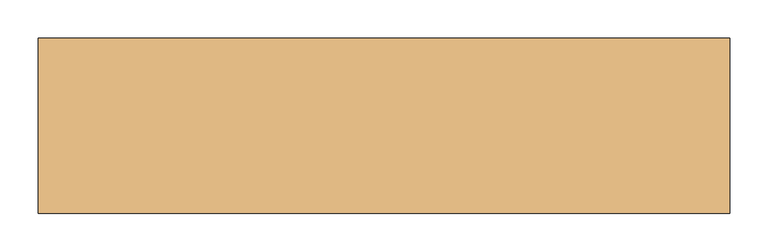
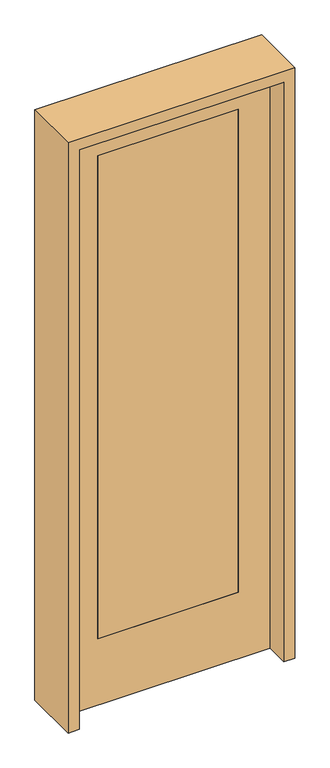
"""IFC4 building model written with IfcOpenShell, lengths in millimetres: door geometry."""

import ifcopenshell
import ifcopenshell.guid

model = None  # the IFC model being written
_history = None  # IfcOwnerHistory: only IFC2X3 demands one
_inside = {}  # id of a spatial element -> (the spatial element, [elements in it])
_under = {}  # id of a project, library or spatial element -> (it, [spatial elements below it])
_declared = {}  # id of a project -> (the project, [libraries it declares])
_typed = {}  # id of a type object -> (the type object, [elements of that type])
_made_of = {}  # id of a material, layer set ... -> (it, [elements and type objects made of it])


def new_model(schema):
    """Start an empty IFC model of exactly this schema.

    Asked for "IFC4X3", IfcOpenShell would pick the latest addendum, in which some entities
    have other attributes; the version numbers below select the first issue.
    IFC2X3 requires an IfcOwnerHistory on every rooted entity: one is made here for all.
    """
    global model, _history
    if schema == "IFC4X3":
        model = ifcopenshell.file(schema_version=(4, 3, 0, 0))
    else:
        model = ifcopenshell.file(schema=schema)
    _inside.clear()
    _under.clear()
    _declared.clear()
    _typed.clear()
    _made_of.clear()
    _history = None
    if model.schema == "IFC2X3":
        org = make("IfcOrganization", Name="unknown")
        user = make(
            "IfcPersonAndOrganization",
            ThePerson=make("IfcPerson", FamilyName="unknown"),
            TheOrganization=org,
        )
        app = make(
            "IfcApplication",
            ApplicationDeveloper=org,
            Version="unknown",
            ApplicationFullName="unknown",
            ApplicationIdentifier="unknown",
        )
        _history = make(
            "IfcOwnerHistory",
            OwningUser=user,
            OwningApplication=app,
            ChangeAction="ADDED",
            CreationDate=0,
        )
    return model


def make(cls, **values):
    """One entity of the class cls with the attributes given. An attribute that is None is left unset."""
    return model.create_entity(
        cls, **{name: value for name, value in values.items() if value is not None}
    )


def rooted(cls, **values):
    """An entity with a GlobalId (a new one), such as an element, a storey or a relation."""
    return make(cls, GlobalId=ifcopenshell.guid.new(), OwnerHistory=_history, **values)


def si_unit(unit_type, name, prefix=None):
    """IfcSIUnit, for example si_unit("LENGTHUNIT", "METRE", prefix="MILLI")."""
    return make("IfcSIUnit", UnitType=unit_type, Prefix=prefix, Name=name)


def assignment(units):
    """IfcUnitAssignment: the units of a project."""
    return None if units is None else make("IfcUnitAssignment", Units=units)


def point(xyz):
    """IfcCartesianPoint."""
    return None if xyz is None else make("IfcCartesianPoint", Coordinates=xyz)


def direction(xyz):
    """IfcDirection."""
    return None if xyz is None else make("IfcDirection", DirectionRatios=xyz)


def frame(location, z_axis=None, x_axis=None):
    """IfcAxis2Placement3D, a coordinate frame: its origin and axes. An axis left out is left unset."""
    return make(
        "IfcAxis2Placement3D",
        Location=point(location),
        Axis=direction(z_axis),
        RefDirection=direction(x_axis),
    )


def origin():
    """The frame at (0, 0, 0) with its axes left unset."""
    return frame((0.0, 0.0, 0.0))


def place(relative_to, where):
    """IfcLocalPlacement: puts the frame where relative to a parent placement (None: the world)."""
    return make(
        "IfcLocalPlacement", PlacementRelTo=relative_to, RelativePlacement=where
    )


def context(
    kind, dimensions, precision=None, world=None, true_north=None, identifier=None
):
    """IfcGeometricRepresentationContext, for example the 3D "Model" context."""
    return make(
        "IfcGeometricRepresentationContext",
        ContextIdentifier=identifier,
        ContextType=kind,
        CoordinateSpaceDimension=dimensions,
        Precision=precision,
        WorldCoordinateSystem=world,
        TrueNorth=true_north,
    )


def project(units=None, contexts=None):
    """IfcProject with its units and contexts."""
    return rooted(
        "IfcProject",
        Name="project",
        RepresentationContexts=contexts,
        UnitsInContext=assignment(units),
    )


def spatial(cls, under=None, at=None, **own):
    """A site, building, storey or space (cls), placed at a placement, below another one or the project."""
    s = rooted(cls, ObjectPlacement=at, **own)
    if under is not None:
        _under.setdefault(under.id(), (under, []))[1].append(s)
    return s


def polyline(points):
    """IfcPolyline through the points."""
    return make("IfcPolyline", Points=[point(p) for p in points])


def outline(outer, holes=None, kind="AREA"):
    """IfcArbitraryClosedProfileDef: a profile drawn as a closed curve; with holes, ...WithVoids."""
    if holes is None:
        return make("IfcArbitraryClosedProfileDef", ProfileType=kind, OuterCurve=outer)
    return make(
        "IfcArbitraryProfileDefWithVoids",
        ProfileType=kind,
        OuterCurve=outer,
        InnerCurves=holes,
    )


def extrude(swept, where, along, depth):
    """IfcExtrudedAreaSolid: the profile swept, set in the frame where, extruded along a direction by depth."""
    return make(
        "IfcExtrudedAreaSolid",
        SweptArea=swept,
        Position=where,
        ExtrudedDirection=direction(along),
        Depth=depth,
    )


def shape(context_of_items, identifier, shape_type, items):
    """IfcShapeRepresentation: the items that make up one representation, for example the "Body"."""
    return make(
        "IfcShapeRepresentation",
        ContextOfItems=context_of_items,
        RepresentationIdentifier=identifier,
        RepresentationType=shape_type,
        Items=items,
    )


def source(mapping_origin, context_of_items, identifier, shape_type, items):
    """IfcRepresentationMap: a shape defined once, which mapped items show again and again."""
    return make(
        "IfcRepresentationMap",
        MappingOrigin=mapping_origin,
        MappedRepresentation=shape(context_of_items, identifier, shape_type, items),
    )


def transform(
    local_origin,
    x_axis=None,
    y_axis=None,
    z_axis=None,
    scale=None,
    scale2=None,
    scale3=None,
    uniform=True,
):
    """IfcCartesianTransformationOperator3D, or its non-uniform kind. x_axis, y_axis, z_axis: its Axis1, 2, 3."""
    if uniform:
        return make(
            "IfcCartesianTransformationOperator3D",
            Axis1=direction(x_axis),
            Axis2=direction(y_axis),
            LocalOrigin=point(local_origin),
            Scale=scale,
            Axis3=direction(z_axis),
        )
    return make(
        "IfcCartesianTransformationOperator3DnonUniform",
        Axis1=direction(x_axis),
        Axis2=direction(y_axis),
        LocalOrigin=point(local_origin),
        Scale=scale,
        Axis3=direction(z_axis),
        Scale2=scale2,
        Scale3=scale3,
    )


def mapped(mapping_source, mapping_target):
    """IfcMappedItem: shows the shape of a source again, moved by a transform."""
    return make(
        "IfcMappedItem", MappingSource=mapping_source, MappingTarget=mapping_target
    )


def made_of(thing, what):
    """Note that an element or type object is made of a material, layer set ...; save() writes the relation."""
    if what is not None:
        _made_of.setdefault(what.id(), (what, []))[1].append(thing)
    return thing


def element(
    cls,
    number,
    at=None,
    inside=None,
    cuts=None,
    type_object=None,
    material=None,
    context=None,
    identifier="Body",
    shape_type=None,
    held_by="IfcProductDefinitionShape",
    body=None,
    shapes=None,
    **own,
):
    """One element of the class cls, such as IfcWall. Its Tag is "e" and its number.

    at: its placement. inside: the storey or other place that contains it. cuts: it is an
    opening in that element (IfcRelVoidsElement). A single representation is given by context,
    identifier, shape_type and body (its items); several are given by shapes. held_by: the class
    of the entity that holds the representations. save() writes the other relations.
    """
    e = rooted(cls, Tag="e%d" % number, ObjectPlacement=at, **own)
    if body is not None:
        shapes = [shape(context, identifier, shape_type, body)]
    if shapes is not None:
        e.Representation = make(held_by, Representations=shapes)
    if inside is not None:
        _inside.setdefault(inside.id(), (inside, []))[1].append(e)
    if cuts is not None:
        rooted(
            "IfcRelVoidsElement", RelatingBuildingElement=cuts, RelatedOpeningElement=e
        )
    if type_object is not None:
        _typed.setdefault(type_object.id(), (type_object, []))[1].append(e)
    return made_of(e, material)


def aggregate(whole, parts):
    """IfcRelAggregates: a whole, such as a stair, and the parts it consists of."""
    return rooted("IfcRelAggregates", RelatingObject=whole, RelatedObjects=parts)


def save(model, path):
    """Write the relations noted so far, then the file.

    IfcRelAggregates (storeys below a building ...), IfcRelContainedInSpatialStructure (elements
    in a storey), IfcRelDefinesByType, IfcRelAssociatesMaterial and IfcRelDeclares: one each for
    every whole, place, type object, material and project.
    """
    for whole, parts in _under.values():
        aggregate(whole, parts)
    for where, things in _inside.values():
        rooted(
            "IfcRelContainedInSpatialStructure",
            RelatedElements=things,
            RelatingStructure=where,
        )
    for kind, things in _typed.values():
        rooted("IfcRelDefinesByType", RelatedObjects=things, RelatingType=kind)
    for what, things in _made_of.values():
        rooted("IfcRelAssociatesMaterial", RelatedObjects=things, RelatingMaterial=what)
    for by, libraries in _declared.values():
        rooted("IfcRelDeclares", RelatingContext=by, RelatedDefinitions=libraries)
    model.write(path)


def door_5e272c5e(model_context):
    return source(origin(), model_context, "Body", "SweptSolid", [
        extrude(outline(polyline([(2438.4, 406.4), (2438.4, -406.4), (0.0, -406.4), (0.0, 406.4), (2438.4, 406.4)]), holes=[polyline([(279.4, 279.4), (279.4, -279.4), (2311.4, -279.4), (2311.4, 279.4), (279.4, 279.4)])]), frame((0.0, -20.6375, 0.0), z_axis=(0.0, 1.0, 0.0), x_axis=(0.0, 0.0, 1.0)), (0.0, 0.0, 1.0), 41.275),
        extrude(outline(polyline([(279.4, -20.6375), (-279.4, -20.6375), (-279.4, 20.6375), (279.4, 20.6375), (279.4, -20.6375)])), frame((0.0, 0.0, 279.4), z_axis=(0.0, 0.0, 1.0), x_axis=(1.0, 0.0, 0.0)), (0.0, 0.0, 1.0), 2032.0),
        extrude(outline(polyline([(2482.85, -450.85), (0.0, -450.85), (0.0, -406.4), (2438.4, -406.4), (2438.4, 406.4), (0.0, 406.4), (0.0, 450.85), (2482.85, 450.85), (2482.85, -450.85)])), frame((0.0, -114.3, 0.0), z_axis=(0.0, 1.0, 0.0), x_axis=(0.0, 0.0, 1.0)), (0.0, 0.0, 1.0), 228.6),
    ])


if __name__ == "__main__":
    model = new_model("IFC4")
    model_context = context("Model", 3, world=origin())
    ifc_project = project(units=[si_unit("LENGTHUNIT", "METRE", prefix="MILLI")], contexts=[model_context])
    site = spatial("IfcSite", under=ifc_project)
    building = spatial("IfcBuilding", under=site)
    placement = place(None, origin())
    door_shape = door_5e272c5e(model_context)
    element("IfcDoor", 1, at=placement, inside=building, context=model_context, shape_type="MappedRepresentation", body=[
        mapped(door_shape, transform((0.0, 0.0, 0.0), x_axis=(1.0, 0.0, 0.0), y_axis=(0.0, 1.0, 0.0), z_axis=(0.0, 0.0, 1.0))),
    ])
    save(model, "model.ifc")
